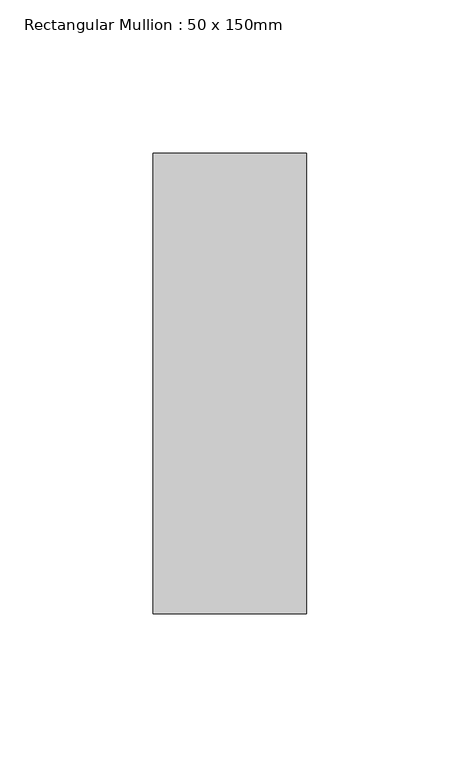
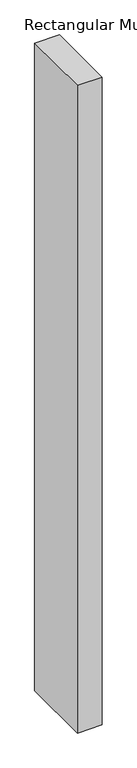
"""IFC4 building model written with IfcOpenShell, lengths in millimetres: member geometry, Rectangular Mullion : 50 x 150mm."""

import ifcopenshell
import ifcopenshell.guid

model = None  # the IFC model being written
_history = None  # IfcOwnerHistory: only IFC2X3 demands one
_inside = {}  # id of a spatial element -> (the spatial element, [elements in it])
_under = {}  # id of a project, library or spatial element -> (it, [spatial elements below it])
_declared = {}  # id of a project -> (the project, [libraries it declares])
_typed = {}  # id of a type object -> (the type object, [elements of that type])
_made_of = {}  # id of a material, layer set ... -> (it, [elements and type objects made of it])


def new_model(schema):
    """Start an empty IFC model of exactly this schema.

    Asked for "IFC4X3", IfcOpenShell would pick the latest addendum, in which some entities
    have other attributes; the version numbers below select the first issue.
    IFC2X3 requires an IfcOwnerHistory on every rooted entity: one is made here for all.
    """
    global model, _history
    if schema == "IFC4X3":
        model = ifcopenshell.file(schema_version=(4, 3, 0, 0))
    else:
        model = ifcopenshell.file(schema=schema)
    _inside.clear()
    _under.clear()
    _declared.clear()
    _typed.clear()
    _made_of.clear()
    _history = None
    if model.schema == "IFC2X3":
        org = make("IfcOrganization", Name="unknown")
        user = make(
            "IfcPersonAndOrganization",
            ThePerson=make("IfcPerson", FamilyName="unknown"),
            TheOrganization=org,
        )
        app = make(
            "IfcApplication",
            ApplicationDeveloper=org,
            Version="unknown",
            ApplicationFullName="unknown",
            ApplicationIdentifier="unknown",
        )
        _history = make(
            "IfcOwnerHistory",
            OwningUser=user,
            OwningApplication=app,
            ChangeAction="ADDED",
            CreationDate=0,
        )
    return model


def make(cls, **values):
    """One entity of the class cls with the attributes given. An attribute that is None is left unset."""
    return model.create_entity(
        cls, **{name: value for name, value in values.items() if value is not None}
    )


def rooted(cls, **values):
    """An entity with a GlobalId (a new one), such as an element, a storey or a relation."""
    return make(cls, GlobalId=ifcopenshell.guid.new(), OwnerHistory=_history, **values)


def si_unit(unit_type, name, prefix=None):
    """IfcSIUnit, for example si_unit("LENGTHUNIT", "METRE", prefix="MILLI")."""
    return make("IfcSIUnit", UnitType=unit_type, Prefix=prefix, Name=name)


def assignment(units):
    """IfcUnitAssignment: the units of a project."""
    return None if units is None else make("IfcUnitAssignment", Units=units)


def point(xyz):
    """IfcCartesianPoint."""
    return None if xyz is None else make("IfcCartesianPoint", Coordinates=xyz)


def direction(xyz):
    """IfcDirection."""
    return None if xyz is None else make("IfcDirection", DirectionRatios=xyz)


def frame(location, z_axis=None, x_axis=None):
    """IfcAxis2Placement3D, a coordinate frame: its origin and axes. An axis left out is left unset."""
    return make(
        "IfcAxis2Placement3D",
        Location=point(location),
        Axis=direction(z_axis),
        RefDirection=direction(x_axis),
    )


def origin():
    """The frame at (0, 0, 0) with its axes left unset."""
    return frame((0.0, 0.0, 0.0))


def place(relative_to, where):
    """IfcLocalPlacement: puts the frame where relative to a parent placement (None: the world)."""
    return make(
        "IfcLocalPlacement", PlacementRelTo=relative_to, RelativePlacement=where
    )


def context(
    kind, dimensions, precision=None, world=None, true_north=None, identifier=None
):
    """IfcGeometricRepresentationContext, for example the 3D "Model" context."""
    return make(
        "IfcGeometricRepresentationContext",
        ContextIdentifier=identifier,
        ContextType=kind,
        CoordinateSpaceDimension=dimensions,
        Precision=precision,
        WorldCoordinateSystem=world,
        TrueNorth=true_north,
    )


def project(units=None, contexts=None):
    """IfcProject with its units and contexts."""
    return rooted(
        "IfcProject",
        Name="project",
        RepresentationContexts=contexts,
        UnitsInContext=assignment(units),
    )


def spatial(cls, under=None, at=None, **own):
    """A site, building, storey or space (cls), placed at a placement, below another one or the project."""
    s = rooted(cls, ObjectPlacement=at, **own)
    if under is not None:
        _under.setdefault(under.id(), (under, []))[1].append(s)
    return s


def polyline(points):
    """IfcPolyline through the points."""
    return make("IfcPolyline", Points=[point(p) for p in points])


def outline(outer, holes=None, kind="AREA"):
    """IfcArbitraryClosedProfileDef: a profile drawn as a closed curve; with holes, ...WithVoids."""
    if holes is None:
        return make("IfcArbitraryClosedProfileDef", ProfileType=kind, OuterCurve=outer)
    return make(
        "IfcArbitraryProfileDefWithVoids",
        ProfileType=kind,
        OuterCurve=outer,
        InnerCurves=holes,
    )


def extrude(swept, where, along, depth):
    """IfcExtrudedAreaSolid: the profile swept, set in the frame where, extruded along a direction by depth."""
    return make(
        "IfcExtrudedAreaSolid",
        SweptArea=swept,
        Position=where,
        ExtrudedDirection=direction(along),
        Depth=depth,
    )


def shape(context_of_items, identifier, shape_type, items):
    """IfcShapeRepresentation: the items that make up one representation, for example the "Body"."""
    return make(
        "IfcShapeRepresentation",
        ContextOfItems=context_of_items,
        RepresentationIdentifier=identifier,
        RepresentationType=shape_type,
        Items=items,
    )


def source(mapping_origin, context_of_items, identifier, shape_type, items):
    """IfcRepresentationMap: a shape defined once, which mapped items show again and again."""
    return make(
        "IfcRepresentationMap",
        MappingOrigin=mapping_origin,
        MappedRepresentation=shape(context_of_items, identifier, shape_type, items),
    )


def transform(
    local_origin,
    x_axis=None,
    y_axis=None,
    z_axis=None,
    scale=None,
    scale2=None,
    scale3=None,
    uniform=True,
):
    """IfcCartesianTransformationOperator3D, or its non-uniform kind. x_axis, y_axis, z_axis: its Axis1, 2, 3."""
    if uniform:
        return make(
            "IfcCartesianTransformationOperator3D",
            Axis1=direction(x_axis),
            Axis2=direction(y_axis),
            LocalOrigin=point(local_origin),
            Scale=scale,
            Axis3=direction(z_axis),
        )
    return make(
        "IfcCartesianTransformationOperator3DnonUniform",
        Axis1=direction(x_axis),
        Axis2=direction(y_axis),
        LocalOrigin=point(local_origin),
        Scale=scale,
        Axis3=direction(z_axis),
        Scale2=scale2,
        Scale3=scale3,
    )


def mapped(mapping_source, mapping_target):
    """IfcMappedItem: shows the shape of a source again, moved by a transform."""
    return make(
        "IfcMappedItem", MappingSource=mapping_source, MappingTarget=mapping_target
    )


def made_of(thing, what):
    """Note that an element or type object is made of a material, layer set ...; save() writes the relation."""
    if what is not None:
        _made_of.setdefault(what.id(), (what, []))[1].append(thing)
    return thing


def element(
    cls,
    number,
    at=None,
    inside=None,
    cuts=None,
    type_object=None,
    material=None,
    context=None,
    identifier="Body",
    shape_type=None,
    held_by="IfcProductDefinitionShape",
    body=None,
    shapes=None,
    **own,
):
    """One element of the class cls, such as IfcWall. Its Tag is "e" and its number.

    at: its placement. inside: the storey or other place that contains it. cuts: it is an
    opening in that element (IfcRelVoidsElement). A single representation is given by context,
    identifier, shape_type and body (its items); several are given by shapes. held_by: the class
    of the entity that holds the representations. save() writes the other relations.
    """
    e = rooted(cls, Tag="e%d" % number, ObjectPlacement=at, **own)
    if body is not None:
        shapes = [shape(context, identifier, shape_type, body)]
    if shapes is not None:
        e.Representation = make(held_by, Representations=shapes)
    if inside is not None:
        _inside.setdefault(inside.id(), (inside, []))[1].append(e)
    if cuts is not None:
        rooted(
            "IfcRelVoidsElement", RelatingBuildingElement=cuts, RelatedOpeningElement=e
        )
    if type_object is not None:
        _typed.setdefault(type_object.id(), (type_object, []))[1].append(e)
    return made_of(e, material)


def aggregate(whole, parts):
    """IfcRelAggregates: a whole, such as a stair, and the parts it consists of."""
    return rooted("IfcRelAggregates", RelatingObject=whole, RelatedObjects=parts)


def save(model, path):
    """Write the relations noted so far, then the file.

    IfcRelAggregates (storeys below a building ...), IfcRelContainedInSpatialStructure (elements
    in a storey), IfcRelDefinesByType, IfcRelAssociatesMaterial and IfcRelDeclares: one each for
    every whole, place, type object, material and project.
    """
    for whole, parts in _under.values():
        aggregate(whole, parts)
    for where, things in _inside.values():
        rooted(
            "IfcRelContainedInSpatialStructure",
            RelatedElements=things,
            RelatingStructure=where,
        )
    for kind, things in _typed.values():
        rooted("IfcRelDefinesByType", RelatedObjects=things, RelatingType=kind)
    for what, things in _made_of.values():
        rooted("IfcRelAssociatesMaterial", RelatedObjects=things, RelatingMaterial=what)
    for by, libraries in _declared.values():
        rooted("IfcRelDeclares", RelatingContext=by, RelatedDefinitions=libraries)
    model.write(path)


def rectangular_mullion_50_x_150mm_75a53900(model_context):
    return source(origin(), model_context, "Body", "SweptSolid", [
        extrude(outline(polyline([(25.0, 75.0), (25.0, -75.0), (-25.0, -75.0), (-25.0, 75.0), (25.0, 75.0)])), frame((0.0, 0.0, -1392.1052632), z_axis=(0.0, 0.0, 1.0), x_axis=(1.0, 0.0, 0.0)), (0.0, 0.0, 1.0), 1392.1052632),
    ])


if __name__ == "__main__":
    model = new_model("IFC4")
    model_context = context("Model", 3, world=origin())
    ifc_project = project(units=[si_unit("LENGTHUNIT", "METRE", prefix="MILLI")], contexts=[model_context])
    site = spatial("IfcSite", under=ifc_project)
    building = spatial("IfcBuilding", under=site)
    placement = place(None, origin())
    rectangular_mullion_50_x_150mm_shape = rectangular_mullion_50_x_150mm_75a53900(model_context)
    element("IfcMember", 1, ObjectType="Rectangular Mullion : 50 x 150mm", at=placement, inside=building, context=model_context, shape_type="MappedRepresentation", body=[
        mapped(rectangular_mullion_50_x_150mm_shape, transform((0.0, 0.0, 0.0), x_axis=(1.0, 0.0, 0.0), y_axis=(0.0, 1.0, 0.0), z_axis=(0.0, 0.0, 1.0))),
    ])
    save(model, "model.ifc")
